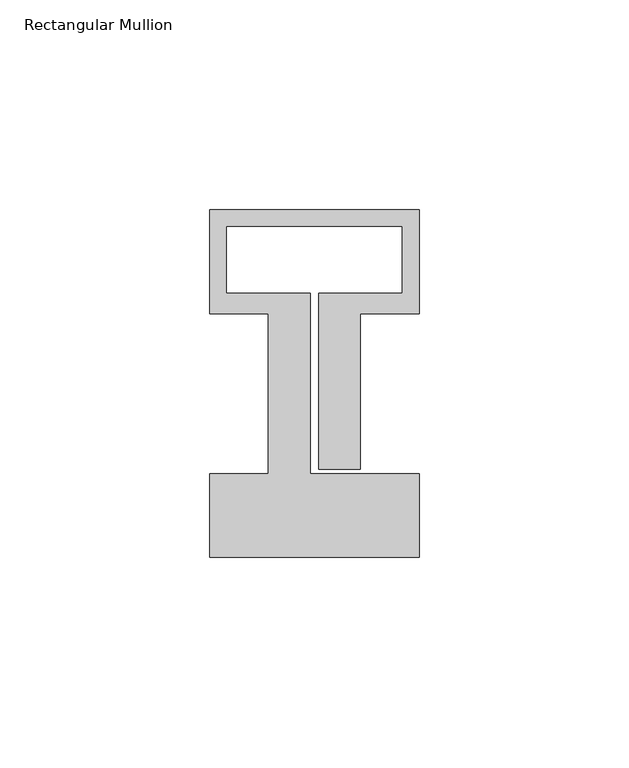
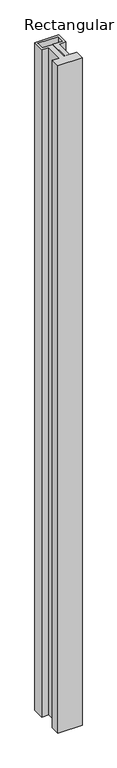
"""IFC4 building model written with IfcOpenShell, lengths in millimetres: member geometry, Rectangular Mullion."""

from ifc_helpers import new_model, si_unit, frame, origin, place, context, project, spatial, polyline, outline, extrude, source, transform, mapped, element, save


def rectangular_mullion_1db880ee(model_context):
    return source(origin(), model_context, "Body", "SweptSolid", [
        extrude(outline(polyline([(-50.0, -58.0), (-50.0, -38.0), (-36.0, -38.0), (-36.0, 0.1), (-50.0, 0.1), (-50.0, 25.0), (0.0, 25.0), (0.0, 0.1), (-14.0, 0.1), (-14.0, -37.0), (-24.0, -37.0), (-24.0, 5.0), (-4.0, 5.0), (-4.0, 21.0), (-46.0, 21.0), (-46.0, 5.0), (-26.0, 5.0), (-26.0, -38.0), (0.0, -38.0), (0.0, -58.0), (-50.0, -58.0)])), frame((0.0, 0.0, -1465.0), z_axis=(0.0, 0.0, 1.0), x_axis=(1.0, 0.0, 0.0)), (0.0, 0.0, 1.0), 1465.0),
    ])


if __name__ == "__main__":
    model = new_model("IFC4")
    model_context = context("Model", 3, world=origin())
    ifc_project = project(units=[si_unit("LENGTHUNIT", "METRE", prefix="MILLI")], contexts=[model_context])
    site = spatial("IfcSite", under=ifc_project)
    building = spatial("IfcBuilding", under=site)
    placement = place(None, origin())
    rectangular_mullion_shape = rectangular_mullion_1db880ee(model_context)
    element("IfcMember", 1, ObjectType="Rectangular Mullion", at=placement, inside=building, context=model_context, shape_type="MappedRepresentation", body=[
        mapped(rectangular_mullion_shape, transform((0.0, 0.0, 0.0), x_axis=(1.0, 0.0, 0.0), y_axis=(0.0, 1.0, 0.0), z_axis=(0.0, 0.0, 1.0))),
    ])
    save(model, "model.ifc")
